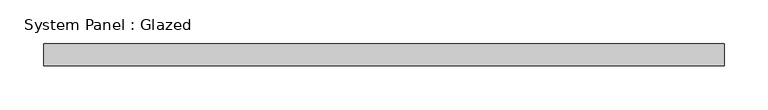
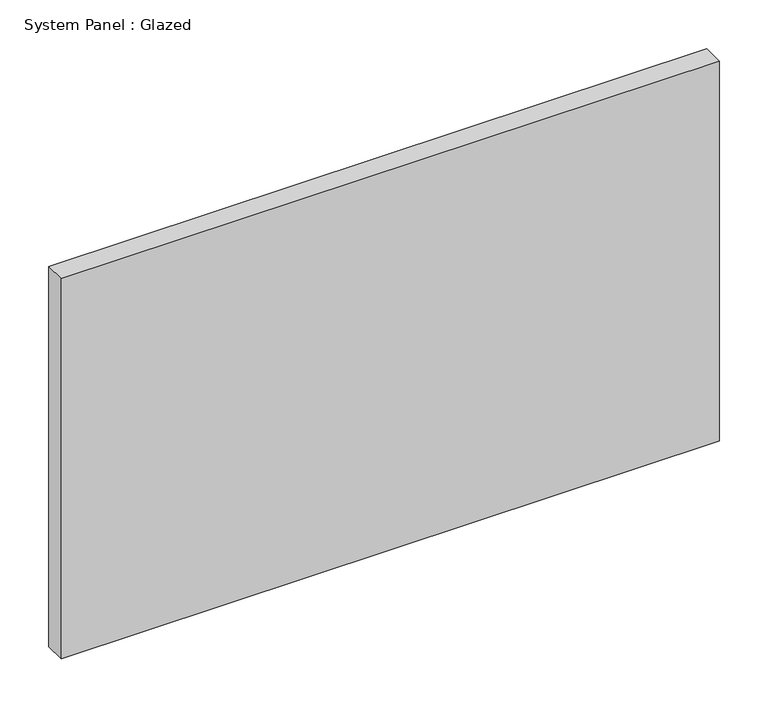
"""IFC4 building model written with IfcOpenShell, lengths in millimetres: plate geometry, System Panel : Glazed."""

from ifc_helpers import new_model, si_unit, origin, origin_with_axes, place, context, project, spatial, polyline, outline, extrude, source, transform, mapped, element, save


def system_panel_glazed_532262be(model_context):
    return source(origin(), model_context, "Body", "SweptSolid", [
        extrude(outline(polyline([(389.6684567, -12.7), (-389.6684567, -12.7), (-389.6684567, 12.7), (389.6684567, 12.7), (389.6684567, -12.7)])), origin_with_axes(), (0.0, 0.0, 1.0), 476.25),
    ])


if __name__ == "__main__":
    model = new_model("IFC4")
    model_context = context("Model", 3, world=origin())
    ifc_project = project(units=[si_unit("LENGTHUNIT", "METRE", prefix="MILLI")], contexts=[model_context])
    site = spatial("IfcSite", under=ifc_project)
    building = spatial("IfcBuilding", under=site)
    placement = place(None, origin())
    system_panel_glazed_shape = system_panel_glazed_532262be(model_context)
    element("IfcPlate", 1, ObjectType="System Panel : Glazed", at=placement, inside=building, context=model_context, shape_type="MappedRepresentation", body=[
        mapped(system_panel_glazed_shape, transform((0.0, 0.0, 0.0), x_axis=(1.0, 0.0, 0.0), y_axis=(0.0, 1.0, 0.0), z_axis=(0.0, 0.0, 1.0))),
    ])
    save(model, "model.ifc")
